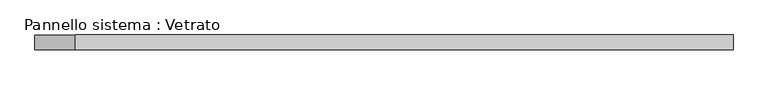
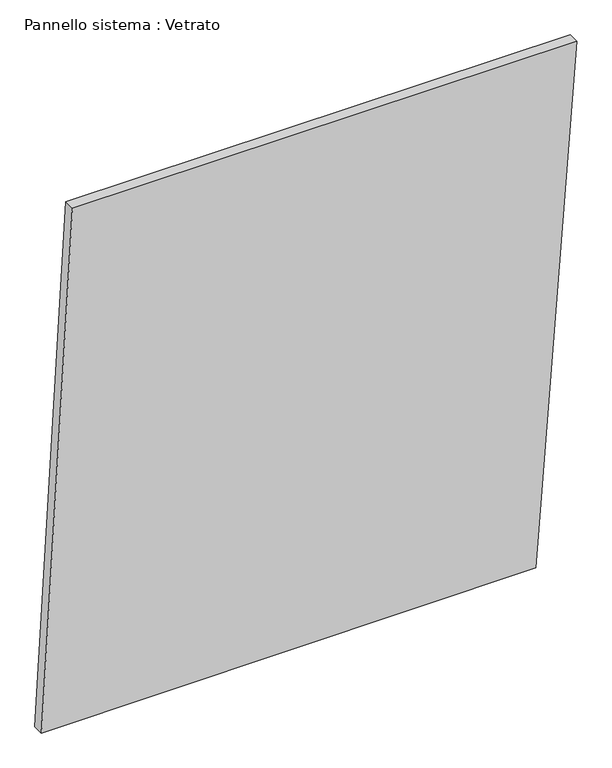
"""IFC4 building model written with IfcOpenShell, lengths in millimetres: plate geometry, Pannello sistema : Vetrato."""

from ifc_helpers import new_model, si_unit, frame, origin, place, context, project, spatial, polyline, outline, extrude, source, transform, mapped, element, save


def pannello_sistema_vetrato_36b891cb(model_context):
    return source(origin(), model_context, "Body", "SweptSolid", [
        extrude(outline(polyline([(0.0, -717.5032714), (4.9915342, 607.7506176), (1457.8825976, 717.5032714), (1457.8825976, -634.5503156), (0.0, -717.5032714)])), frame((0.0, -15.0, 0.0), z_axis=(0.0, 1.0, 0.0), x_axis=(0.0, 0.0, 1.0)), (0.0, 0.0, 1.0), 30.0),
    ])


if __name__ == "__main__":
    model = new_model("IFC4")
    model_context = context("Model", 3, world=origin())
    ifc_project = project(units=[si_unit("LENGTHUNIT", "METRE", prefix="MILLI")], contexts=[model_context])
    site = spatial("IfcSite", under=ifc_project)
    building = spatial("IfcBuilding", under=site)
    placement = place(None, origin())
    pannello_sistema_vetrato_shape = pannello_sistema_vetrato_36b891cb(model_context)
    element("IfcPlate", 1, ObjectType="Pannello sistema : Vetrato", at=placement, inside=building, context=model_context, shape_type="MappedRepresentation", body=[
        mapped(pannello_sistema_vetrato_shape, transform((0.0, 0.0, 0.0), x_axis=(1.0, 0.0, 0.0), y_axis=(0.0, 1.0, 0.0), z_axis=(0.0, 0.0, 1.0))),
    ])
    save(model, "model.ifc")
